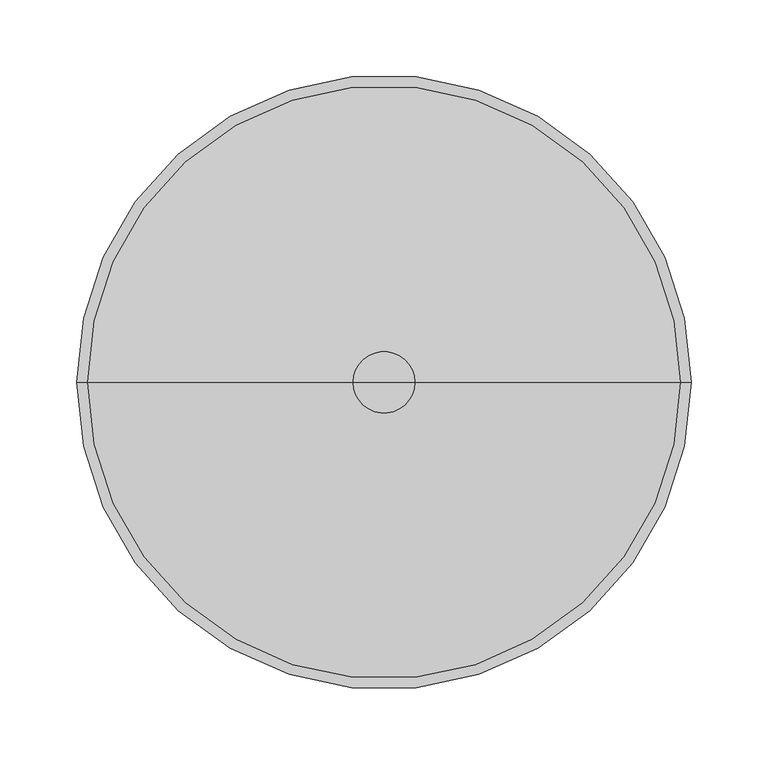
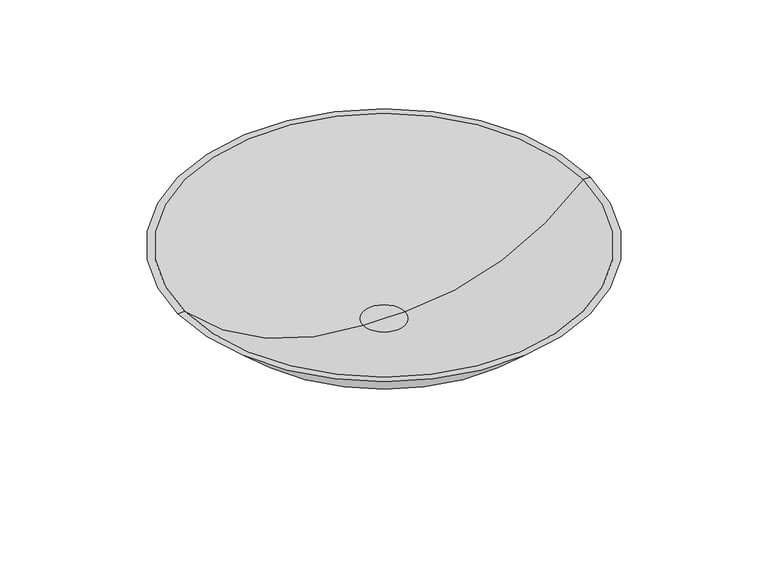
"""IFC4 building model written with IfcOpenShell, lengths in millimetres: light fixture geometry."""

from ifc_helpers import new_model, si_unit, point, frame, origin, place, context, project, spatial, circle_curve, ellipse_curve, trimmed, source, transform, mapped, element, save
from ifc_brep_helpers import plane_surface, revolved_surface, advanced_brep


def light_fixture_86ee7cd9(model_context):
    return source(origin(), model_context, "Body", "AdvancedBrep", [
        advanced_brep(
        [(200.0, 0.0, 0.0), (-200.0, 0.0, 0.0), (-193.2050808, 0.0, 0.0), (193.2050808, 0.0, 0.0), (20.0, 0.0, -80.0), (-20.0, 0.0, -80.0), (0.0, 0.0, -80.0), (20.0, 0.0, -75.0), (-20.0, 0.0, -75.0), (0.0, 0.0, -75.0)],
        [
            (0, 1, circle_curve(frame((0.0, 0.0, 0.0), z_axis=(0.0, 0.0, 1.0), x_axis=(-1.0, 0.0, 0.0)), 200.0)),
            (1, 2),
            (2, 3, circle_curve(frame((0.0, 0.0, 0.0), z_axis=(0.0, 0.0, -1.0), x_axis=(-1.0, 0.0, 0.0)), 193.2050808)),
            (3, 0),
            (1, 0, circle_curve(frame((0.0, 0.0, 0.0), z_axis=(0.0, 0.0, 1.0), x_axis=(-1.0, 0.0, 0.0)), 200.0)),
            (3, 2, circle_curve(frame((0.0, 0.0, 0.0), z_axis=(0.0, 0.0, -1.0), x_axis=(-1.0, 0.0, 0.0)), 193.2050808)),
            (4, 5, circle_curve(frame((0.0, 0.0, -80.0), z_axis=(0.0, 0.0, 1.0), x_axis=(-1.0, 0.0, 0.0)), 20.0)),
            (5, 1, circle_curve(frame((-20.0, 0.0, 162.5), z_axis=(0.0, 1.0, 0.0), x_axis=(0.0, 0.0, -1.0)), 242.5)),
            (0, 4, circle_curve(frame((20.0, 0.0, 162.5), z_axis=(0.0, 1.0, 0.0), x_axis=(0.0, 0.0, -1.0)), 242.5)),
            (5, 4, circle_curve(frame((0.0, 0.0, -80.0), z_axis=(0.0, 0.0, 1.0), x_axis=(-1.0, 0.0, 0.0)), 20.0)),
            (6, 5),
            (4, 6),
            (7, 8, circle_curve(frame((0.0, 0.0, -75.0), z_axis=(0.0, 0.0, 1.0), x_axis=(-1.0, 0.0, 0.0)), 20.0)),
            (8, 9),
            (9, 7),
            (8, 7, circle_curve(frame((0.0, 0.0, -75.0), z_axis=(0.0, 0.0, 1.0), x_axis=(-1.0, 0.0, 0.0)), 20.0)),
            (2, 8, circle_curve(frame((-20.0, 0.0, 162.5), z_axis=(0.0, -1.0, 0.0), x_axis=(0.0, 0.0, -1.0)), 237.5)),
            (7, 3, circle_curve(frame((20.0, 0.0, 162.5), z_axis=(0.0, -1.0, 0.0), x_axis=(0.0, 0.0, -1.0)), 237.5)),
        ],
        [
            plane_surface(frame((0.0, 0.0, 0.0), z_axis=(0.0, 0.0, 1.0), x_axis=(-1.0, 0.0, 0.0))),
            revolved_surface(trimmed(ellipse_curve(frame((-20.0, 0.0, 162.5), z_axis=(0.0, -1.0, 0.0), x_axis=(0.0, 0.0, -1.0)), 242.5, 242.5), [point((-200.0, 0.0, 0.0))], [point((-20.0, 0.0, -80.0))], True, "CARTESIAN"), (0.0, 0.0, 25.4), (0.0, 0.0, -1.0)),
            plane_surface(frame((0.0, 0.0, -80.0), z_axis=(0.0, 0.0, -1.0), x_axis=(-1.0, 0.0, 0.0))),
            plane_surface(frame((0.0, 0.0, -75.0), z_axis=(0.0, 0.0, 1.0), x_axis=(-1.0, 0.0, 0.0))),
            revolved_surface(trimmed(ellipse_curve(frame((-20.0, 0.0, 162.5), z_axis=(0.0, 1.0, 0.0), x_axis=(0.0, 0.0, -1.0)), 237.5, 237.5), [point((-20.0, 0.0, -75.0))], [point((-193.2050808, 0.0, 0.0))], True, "CARTESIAN"), (0.0, 0.0, 25.4), (0.0, 0.0, -1.0)),
        ],
        [
            (0, [[1, 2, 3, 4]]),
            (0, [[5, -4, 6, -2]]),
            (1, [[7, 8, -1, 9]]),
            (1, [[10, -9, -5, -8]]),
            (2, [[11, -7, 12]]),
            (2, [[-12, -10, -11]]),
            (3, [[13, 14, 15]]),
            (3, [[16, -15, -14]]),
            (4, [[-3, 17, -13, 18]]),
            (4, [[-6, -18, -16, -17]]),
        ],
    ),
    ])


if __name__ == "__main__":
    model = new_model("IFC4")
    model_context = context("Model", 3, world=origin())
    ifc_project = project(units=[si_unit("LENGTHUNIT", "METRE", prefix="MILLI")], contexts=[model_context])
    site = spatial("IfcSite", under=ifc_project)
    building = spatial("IfcBuilding", under=site)
    placement = place(None, origin())
    light_fixture_shape = light_fixture_86ee7cd9(model_context)
    element("IfcLightFixture", 1, at=placement, inside=building, context=model_context, shape_type="MappedRepresentation", body=[
        mapped(light_fixture_shape, transform((0.0, 0.0, 0.0), x_axis=(1.0, 0.0, 0.0), y_axis=(0.0, 1.0, 0.0), z_axis=(0.0, 0.0, 1.0))),
    ])
    save(model, "model.ifc")
